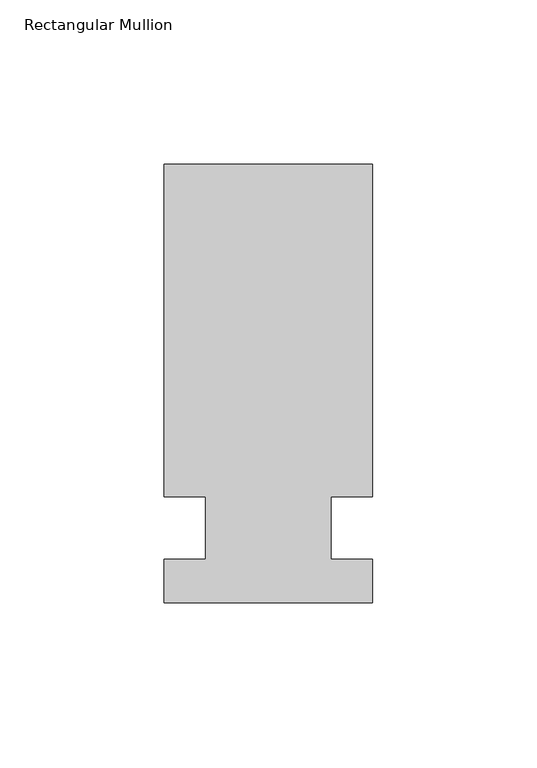
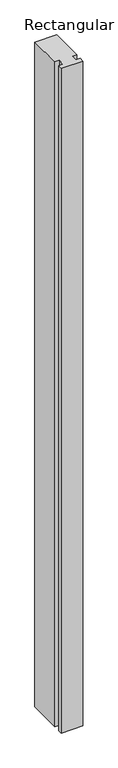
"""IFC4 building model written with IfcOpenShell, lengths in millimetres: member geometry, Rectangular Mullion."""

from ifc_helpers import new_model, si_unit, frame, origin, place, context, project, spatial, polyline, outline, extrude, source, transform, mapped, element, save


def rectangular_mullion_ce32f65c(model_context):
    return source(origin(), model_context, "Body", "SweptSolid", [
        extrude(outline(polyline([(-31.75, 133.4396938), (31.75, 133.4396937), (31.75, 32.2460937), (19.05, 32.2460937), (19.05, 13.1960937), (31.75, 13.1960937), (31.75, 0.0134937), (-31.75, 0.0134937), (-31.75, 13.1960937), (-19.05, 13.1960937), (-19.05, 32.2460937), (-31.75, 32.2460937), (-31.75, 133.4396938)])), frame((0.0, 0.0, -2057.4), z_axis=(0.0, 0.0, 1.0), x_axis=(1.0, 0.0, 0.0)), (0.0, 0.0, 1.0), 2057.4),
    ])


if __name__ == "__main__":
    model = new_model("IFC4")
    model_context = context("Model", 3, world=origin())
    ifc_project = project(units=[si_unit("LENGTHUNIT", "METRE", prefix="MILLI")], contexts=[model_context])
    site = spatial("IfcSite", under=ifc_project)
    building = spatial("IfcBuilding", under=site)
    placement = place(None, origin())
    rectangular_mullion_shape = rectangular_mullion_ce32f65c(model_context)
    element("IfcMember", 1, ObjectType="Rectangular Mullion", at=placement, inside=building, context=model_context, shape_type="MappedRepresentation", body=[
        mapped(rectangular_mullion_shape, transform((0.0, 0.0, 0.0), x_axis=(1.0, 0.0, 0.0), y_axis=(0.0, 1.0, 0.0), z_axis=(0.0, 0.0, 1.0))),
    ])
    save(model, "model.ifc")
